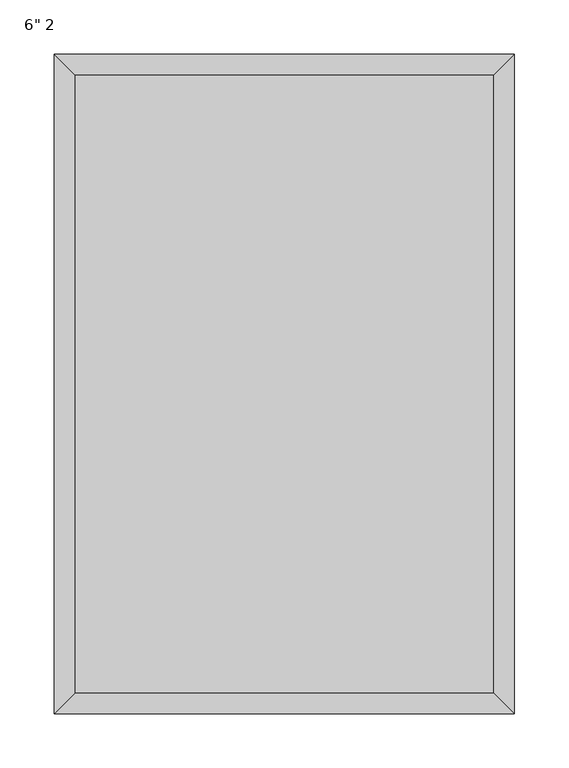
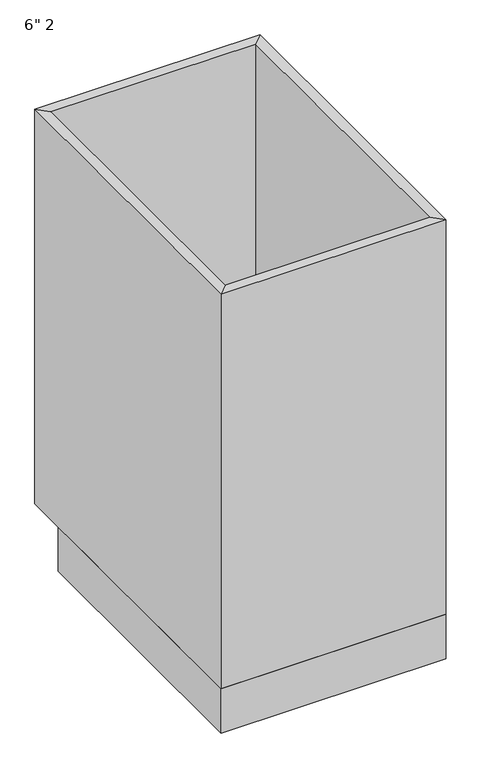
"""IFC4 building model written with IfcOpenShell, lengths in millimetres: furniture geometry."""

import ifcopenshell
import ifcopenshell.guid

model = None  # the IFC model being written
_history = None  # IfcOwnerHistory: only IFC2X3 demands one
_inside = {}  # id of a spatial element -> (the spatial element, [elements in it])
_under = {}  # id of a project, library or spatial element -> (it, [spatial elements below it])
_declared = {}  # id of a project -> (the project, [libraries it declares])
_typed = {}  # id of a type object -> (the type object, [elements of that type])
_made_of = {}  # id of a material, layer set ... -> (it, [elements and type objects made of it])


def new_model(schema):
    """Start an empty IFC model of exactly this schema.

    Asked for "IFC4X3", IfcOpenShell would pick the latest addendum, in which some entities
    have other attributes; the version numbers below select the first issue.
    IFC2X3 requires an IfcOwnerHistory on every rooted entity: one is made here for all.
    """
    global model, _history
    if schema == "IFC4X3":
        model = ifcopenshell.file(schema_version=(4, 3, 0, 0))
    else:
        model = ifcopenshell.file(schema=schema)
    _inside.clear()
    _under.clear()
    _declared.clear()
    _typed.clear()
    _made_of.clear()
    _history = None
    if model.schema == "IFC2X3":
        org = make("IfcOrganization", Name="unknown")
        user = make(
            "IfcPersonAndOrganization",
            ThePerson=make("IfcPerson", FamilyName="unknown"),
            TheOrganization=org,
        )
        app = make(
            "IfcApplication",
            ApplicationDeveloper=org,
            Version="unknown",
            ApplicationFullName="unknown",
            ApplicationIdentifier="unknown",
        )
        _history = make(
            "IfcOwnerHistory",
            OwningUser=user,
            OwningApplication=app,
            ChangeAction="ADDED",
            CreationDate=0,
        )
    return model


def make(cls, **values):
    """One entity of the class cls with the attributes given. An attribute that is None is left unset."""
    return model.create_entity(
        cls, **{name: value for name, value in values.items() if value is not None}
    )


def rooted(cls, **values):
    """An entity with a GlobalId (a new one), such as an element, a storey or a relation."""
    return make(cls, GlobalId=ifcopenshell.guid.new(), OwnerHistory=_history, **values)


def si_unit(unit_type, name, prefix=None):
    """IfcSIUnit, for example si_unit("LENGTHUNIT", "METRE", prefix="MILLI")."""
    return make("IfcSIUnit", UnitType=unit_type, Prefix=prefix, Name=name)


def assignment(units):
    """IfcUnitAssignment: the units of a project."""
    return None if units is None else make("IfcUnitAssignment", Units=units)


def point(xyz):
    """IfcCartesianPoint."""
    return None if xyz is None else make("IfcCartesianPoint", Coordinates=xyz)


def direction(xyz):
    """IfcDirection."""
    return None if xyz is None else make("IfcDirection", DirectionRatios=xyz)


def frame(location, z_axis=None, x_axis=None):
    """IfcAxis2Placement3D, a coordinate frame: its origin and axes. An axis left out is left unset."""
    return make(
        "IfcAxis2Placement3D",
        Location=point(location),
        Axis=direction(z_axis),
        RefDirection=direction(x_axis),
    )


def origin():
    """The frame at (0, 0, 0) with its axes left unset."""
    return frame((0.0, 0.0, 0.0))


def origin_with_axes():
    """The frame at (0, 0, 0) with the z axis (0, 0, 1) and the x axis (1, 0, 0) written out."""
    return frame((0.0, 0.0, 0.0), z_axis=(0.0, 0.0, 1.0), x_axis=(1.0, 0.0, 0.0))


def place(relative_to, where):
    """IfcLocalPlacement: puts the frame where relative to a parent placement (None: the world)."""
    return make(
        "IfcLocalPlacement", PlacementRelTo=relative_to, RelativePlacement=where
    )


def context(
    kind, dimensions, precision=None, world=None, true_north=None, identifier=None
):
    """IfcGeometricRepresentationContext, for example the 3D "Model" context."""
    return make(
        "IfcGeometricRepresentationContext",
        ContextIdentifier=identifier,
        ContextType=kind,
        CoordinateSpaceDimension=dimensions,
        Precision=precision,
        WorldCoordinateSystem=world,
        TrueNorth=true_north,
    )


def project(units=None, contexts=None):
    """IfcProject with its units and contexts."""
    return rooted(
        "IfcProject",
        Name="project",
        RepresentationContexts=contexts,
        UnitsInContext=assignment(units),
    )


def spatial(cls, under=None, at=None, **own):
    """A site, building, storey or space (cls), placed at a placement, below another one or the project."""
    s = rooted(cls, ObjectPlacement=at, **own)
    if under is not None:
        _under.setdefault(under.id(), (under, []))[1].append(s)
    return s


def polyline(points):
    """IfcPolyline through the points."""
    return make("IfcPolyline", Points=[point(p) for p in points])


def outline(outer, holes=None, kind="AREA"):
    """IfcArbitraryClosedProfileDef: a profile drawn as a closed curve; with holes, ...WithVoids."""
    if holes is None:
        return make("IfcArbitraryClosedProfileDef", ProfileType=kind, OuterCurve=outer)
    return make(
        "IfcArbitraryProfileDefWithVoids",
        ProfileType=kind,
        OuterCurve=outer,
        InnerCurves=holes,
    )


def extrude(swept, where, along, depth):
    """IfcExtrudedAreaSolid: the profile swept, set in the frame where, extruded along a direction by depth."""
    return make(
        "IfcExtrudedAreaSolid",
        SweptArea=swept,
        Position=where,
        ExtrudedDirection=direction(along),
        Depth=depth,
    )


def faces_of(points, faces, orient=None, outer=None):
    """IfcFace entities. A face is a list of loops; a loop is a list of indices into points, from 0.

    orient and outer hold one flag for each loop. By default every Orientation is true, the
    first loop of a face is its IfcFaceOuterBound and the others are IfcFaceBound.
    """
    made = []
    for i, loops in enumerate(faces):
        bounds = []
        for j, loop in enumerate(loops):
            is_outer = j == 0 if outer is None else outer[i][j]
            bounds.append(
                make(
                    "IfcFaceOuterBound" if is_outer else "IfcFaceBound",
                    Bound=make("IfcPolyLoop", Polygon=[points[k] for k in loop]),
                    Orientation=True if orient is None else orient[i][j],
                )
            )
        made.append(make("IfcFace", Bounds=bounds))
    return made


def faceted_brep(points, faces, orient=None, outer=None, voids=None):
    """IfcFacetedBrep: a solid bounded by flat faces; with voids (closed shells), ...WithVoids."""
    shared = [point(p) for p in points]
    hull = make("IfcClosedShell", CfsFaces=faces_of(shared, faces, orient, outer))
    if voids is None:
        return make("IfcFacetedBrep", Outer=hull)
    return make(
        "IfcFacetedBrepWithVoids",
        Outer=hull,
        Voids=[
            make(cls, CfsFaces=faces_of(shared, fs, o, b)) for cls, fs, o, b in voids
        ],
    )


def shape(context_of_items, identifier, shape_type, items):
    """IfcShapeRepresentation: the items that make up one representation, for example the "Body"."""
    return make(
        "IfcShapeRepresentation",
        ContextOfItems=context_of_items,
        RepresentationIdentifier=identifier,
        RepresentationType=shape_type,
        Items=items,
    )


def source(mapping_origin, context_of_items, identifier, shape_type, items):
    """IfcRepresentationMap: a shape defined once, which mapped items show again and again."""
    return make(
        "IfcRepresentationMap",
        MappingOrigin=mapping_origin,
        MappedRepresentation=shape(context_of_items, identifier, shape_type, items),
    )


def transform(
    local_origin,
    x_axis=None,
    y_axis=None,
    z_axis=None,
    scale=None,
    scale2=None,
    scale3=None,
    uniform=True,
):
    """IfcCartesianTransformationOperator3D, or its non-uniform kind. x_axis, y_axis, z_axis: its Axis1, 2, 3."""
    if uniform:
        return make(
            "IfcCartesianTransformationOperator3D",
            Axis1=direction(x_axis),
            Axis2=direction(y_axis),
            LocalOrigin=point(local_origin),
            Scale=scale,
            Axis3=direction(z_axis),
        )
    return make(
        "IfcCartesianTransformationOperator3DnonUniform",
        Axis1=direction(x_axis),
        Axis2=direction(y_axis),
        LocalOrigin=point(local_origin),
        Scale=scale,
        Axis3=direction(z_axis),
        Scale2=scale2,
        Scale3=scale3,
    )


def mapped(mapping_source, mapping_target):
    """IfcMappedItem: shows the shape of a source again, moved by a transform."""
    return make(
        "IfcMappedItem", MappingSource=mapping_source, MappingTarget=mapping_target
    )


def made_of(thing, what):
    """Note that an element or type object is made of a material, layer set ...; save() writes the relation."""
    if what is not None:
        _made_of.setdefault(what.id(), (what, []))[1].append(thing)
    return thing


def element(
    cls,
    number,
    at=None,
    inside=None,
    cuts=None,
    type_object=None,
    material=None,
    context=None,
    identifier="Body",
    shape_type=None,
    held_by="IfcProductDefinitionShape",
    body=None,
    shapes=None,
    **own,
):
    """One element of the class cls, such as IfcWall. Its Tag is "e" and its number.

    at: its placement. inside: the storey or other place that contains it. cuts: it is an
    opening in that element (IfcRelVoidsElement). A single representation is given by context,
    identifier, shape_type and body (its items); several are given by shapes. held_by: the class
    of the entity that holds the representations. save() writes the other relations.
    """
    e = rooted(cls, Tag="e%d" % number, ObjectPlacement=at, **own)
    if body is not None:
        shapes = [shape(context, identifier, shape_type, body)]
    if shapes is not None:
        e.Representation = make(held_by, Representations=shapes)
    if inside is not None:
        _inside.setdefault(inside.id(), (inside, []))[1].append(e)
    if cuts is not None:
        rooted(
            "IfcRelVoidsElement", RelatingBuildingElement=cuts, RelatedOpeningElement=e
        )
    if type_object is not None:
        _typed.setdefault(type_object.id(), (type_object, []))[1].append(e)
    return made_of(e, material)


def aggregate(whole, parts):
    """IfcRelAggregates: a whole, such as a stair, and the parts it consists of."""
    return rooted("IfcRelAggregates", RelatingObject=whole, RelatedObjects=parts)


def save(model, path):
    """Write the relations noted so far, then the file.

    IfcRelAggregates (storeys below a building ...), IfcRelContainedInSpatialStructure (elements
    in a storey), IfcRelDefinesByType, IfcRelAssociatesMaterial and IfcRelDeclares: one each for
    every whole, place, type object, material and project.
    """
    for whole, parts in _under.values():
        aggregate(whole, parts)
    for where, things in _inside.values():
        rooted(
            "IfcRelContainedInSpatialStructure",
            RelatedElements=things,
            RelatingStructure=where,
        )
    for kind, things in _typed.values():
        rooted("IfcRelDefinesByType", RelatedObjects=things, RelatingType=kind)
    for what, things in _made_of.values():
        rooted("IfcRelAssociatesMaterial", RelatedObjects=things, RelatingMaterial=what)
    for by, libraries in _declared.values():
        rooted("IfcRelDeclares", RelatingContext=by, RelatedDefinitions=libraries)
    model.write(path)


def furniture_08db99e4(model_context):
    return source(origin(), model_context, "Body", "SolidModel", [
        extrude(outline(polyline([(212.4127049, 19.05), (-174.9372951, 19.05), (-174.9372951, 590.55), (212.4127049, 590.55), (212.4127049, 19.05)])), frame((0.0, 0.0, 88.9), z_axis=(0.0, 0.0, 1.0), x_axis=(1.0, 0.0, 0.0)), (0.0, 0.0, 1.0), 19.05),
        faceted_brep([(212.4127049, 590.55, 876.3), (-174.9372951, 590.55, 876.3), (-174.9372951, 590.55, 88.9), (212.4127049, 590.55, 88.9), (231.4627049, 609.6, 876.3), (-193.9872951, 609.6, 876.3), (231.4627049, 609.6, 88.9), (-193.9872951, 609.6, 88.9), (-174.9372951, 19.05, 876.3), (-174.9372951, 19.05, 88.9), (-193.9872951, 0.0, 876.3), (-193.9872951, 0.0, 88.9), (212.4127049, 19.05, 876.3), (212.4127049, 19.05, 88.9), (231.4627049, 0.0, 876.3), (231.4627049, 0.0, 88.9)], [[[0, 1, 2, 3]], [[4, 5, 1, 0]], [[6, 7, 5, 4]], [[3, 2, 7, 6]], [[1, 8, 9, 2]], [[5, 10, 8, 1]], [[7, 11, 10, 5]], [[2, 9, 11, 7]], [[8, 12, 13, 9]], [[10, 14, 12, 8]], [[11, 15, 14, 10]], [[9, 13, 15, 11]], [[12, 0, 3, 13]], [[14, 4, 0, 12]], [[15, 6, 4, 14]], [[13, 3, 6, 15]]]),
        extrude(outline(polyline([(231.4627049, 0.0), (-193.9872951, 0.0), (-193.9872951, 533.4), (231.4627049, 533.4), (231.4627049, 0.0)])), origin_with_axes(), (0.0, 0.0, 1.0), 88.9),
    ])


if __name__ == "__main__":
    model = new_model("IFC4")
    model_context = context("Model", 3, world=origin())
    ifc_project = project(units=[si_unit("LENGTHUNIT", "METRE", prefix="MILLI")], contexts=[model_context])
    site = spatial("IfcSite", under=ifc_project)
    building = spatial("IfcBuilding", under=site)
    placement = place(None, origin())
    furniture_shape = furniture_08db99e4(model_context)
    element("IfcFurniture", 1, ObjectType="6\" 2", at=placement, inside=building, context=model_context, shape_type="MappedRepresentation", body=[
        mapped(furniture_shape, transform((0.0, 0.0, 0.0), x_axis=(1.0, 0.0, 0.0), y_axis=(0.0, 1.0, 0.0), z_axis=(0.0, 0.0, 1.0))),
    ])
    save(model, "model.ifc")
